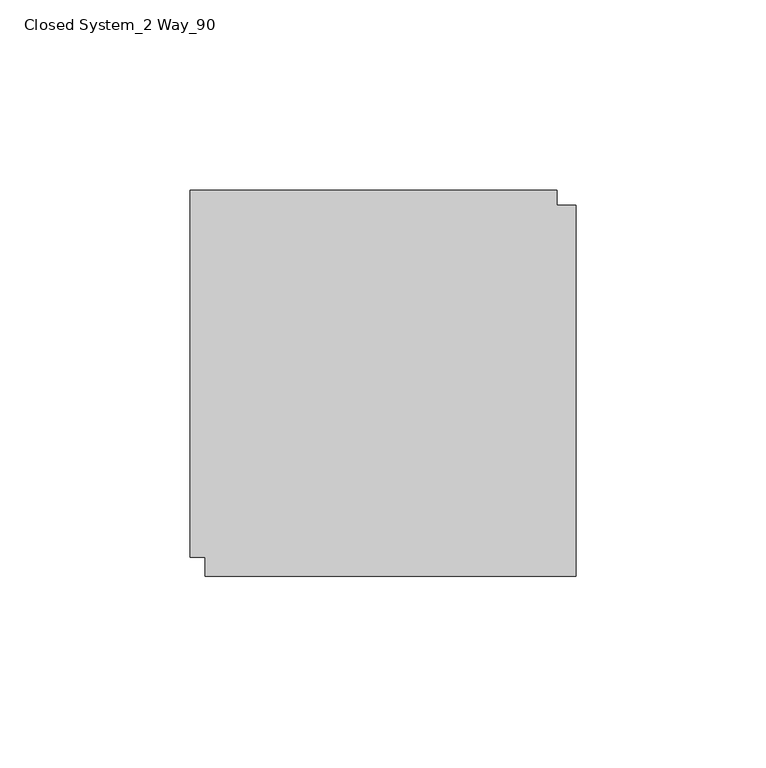
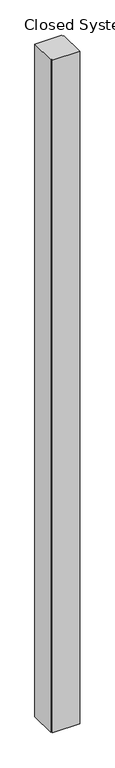
"""IFC4 building model written with IfcOpenShell, lengths in millimetres: furniture geometry, Closed System_2 Way_90."""

from ifc_helpers import new_model, si_unit, origin, origin_with_axes, place, context, project, spatial, polyline, outline, extrude, source, transform, mapped, element, save


def closed_system_2_way_90_6baac5f4(model_context):
    return source(origin(), model_context, "Body", "SweptSolid", [
        extrude(outline(polyline([(29.9771531, -22.2450295), (29.9771531, 74.4019705), (126.6241531, 74.4019705), (126.6241531, 70.4649705), (131.5771531, 70.4649705), (131.5771531, -27.1980295), (33.9141531, -27.1980295), (33.9141531, -22.2450295), (29.9771531, -22.2450295)])), origin_with_axes(), (0.0, 0.0, 1.0), 2540.0),
    ])


if __name__ == "__main__":
    model = new_model("IFC4")
    model_context = context("Model", 3, world=origin())
    ifc_project = project(units=[si_unit("LENGTHUNIT", "METRE", prefix="MILLI")], contexts=[model_context])
    site = spatial("IfcSite", under=ifc_project)
    building = spatial("IfcBuilding", under=site)
    placement = place(None, origin())
    closed_system_2_way_90_shape = closed_system_2_way_90_6baac5f4(model_context)
    element("IfcFurniture", 1, ObjectType="Closed System_2 Way_90", at=placement, inside=building, context=model_context, shape_type="MappedRepresentation", body=[
        mapped(closed_system_2_way_90_shape, transform((0.0, 0.0, 0.0), x_axis=(1.0, 0.0, 0.0), y_axis=(0.0, 1.0, 0.0), z_axis=(0.0, 0.0, 1.0))),
    ])
    save(model, "model.ifc")
